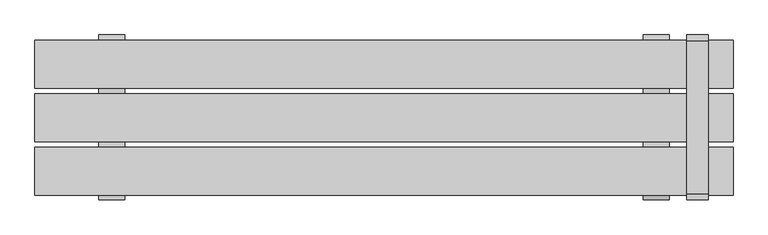
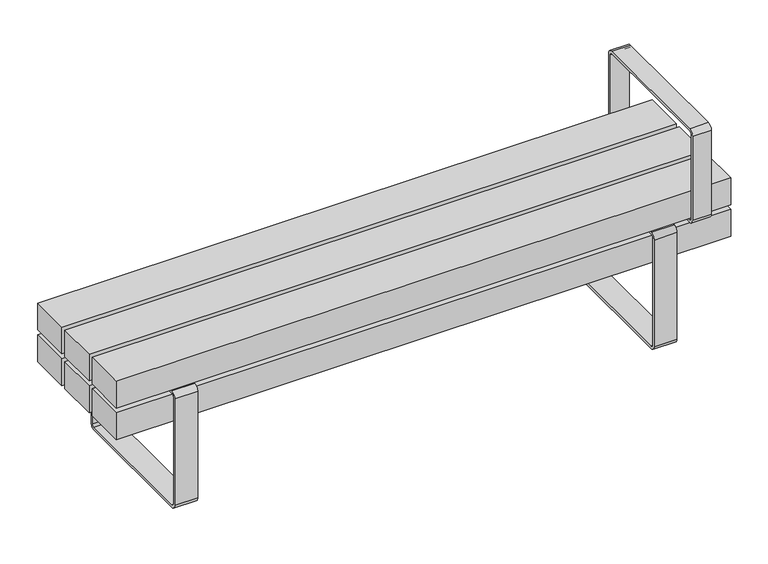
"""IFC4 building model written with IfcOpenShell, lengths in millimetres: furniture geometry."""

import ifcopenshell
import ifcopenshell.guid

model = None  # the IFC model being written
_history = None  # IfcOwnerHistory: only IFC2X3 demands one
_inside = {}  # id of a spatial element -> (the spatial element, [elements in it])
_under = {}  # id of a project, library or spatial element -> (it, [spatial elements below it])
_declared = {}  # id of a project -> (the project, [libraries it declares])
_typed = {}  # id of a type object -> (the type object, [elements of that type])
_made_of = {}  # id of a material, layer set ... -> (it, [elements and type objects made of it])


def new_model(schema):
    """Start an empty IFC model of exactly this schema.

    Asked for "IFC4X3", IfcOpenShell would pick the latest addendum, in which some entities
    have other attributes; the version numbers below select the first issue.
    IFC2X3 requires an IfcOwnerHistory on every rooted entity: one is made here for all.
    """
    global model, _history
    if schema == "IFC4X3":
        model = ifcopenshell.file(schema_version=(4, 3, 0, 0))
    else:
        model = ifcopenshell.file(schema=schema)
    _inside.clear()
    _under.clear()
    _declared.clear()
    _typed.clear()
    _made_of.clear()
    _history = None
    if model.schema == "IFC2X3":
        org = make("IfcOrganization", Name="unknown")
        user = make(
            "IfcPersonAndOrganization",
            ThePerson=make("IfcPerson", FamilyName="unknown"),
            TheOrganization=org,
        )
        app = make(
            "IfcApplication",
            ApplicationDeveloper=org,
            Version="unknown",
            ApplicationFullName="unknown",
            ApplicationIdentifier="unknown",
        )
        _history = make(
            "IfcOwnerHistory",
            OwningUser=user,
            OwningApplication=app,
            ChangeAction="ADDED",
            CreationDate=0,
        )
    return model


def make(cls, **values):
    """One entity of the class cls with the attributes given. An attribute that is None is left unset."""
    return model.create_entity(
        cls, **{name: value for name, value in values.items() if value is not None}
    )


def rooted(cls, **values):
    """An entity with a GlobalId (a new one), such as an element, a storey or a relation."""
    return make(cls, GlobalId=ifcopenshell.guid.new(), OwnerHistory=_history, **values)


def si_unit(unit_type, name, prefix=None):
    """IfcSIUnit, for example si_unit("LENGTHUNIT", "METRE", prefix="MILLI")."""
    return make("IfcSIUnit", UnitType=unit_type, Prefix=prefix, Name=name)


def assignment(units):
    """IfcUnitAssignment: the units of a project."""
    return None if units is None else make("IfcUnitAssignment", Units=units)


def point(xyz):
    """IfcCartesianPoint."""
    return None if xyz is None else make("IfcCartesianPoint", Coordinates=xyz)


def direction(xyz):
    """IfcDirection."""
    return None if xyz is None else make("IfcDirection", DirectionRatios=xyz)


def frame(location, z_axis=None, x_axis=None):
    """IfcAxis2Placement3D, a coordinate frame: its origin and axes. An axis left out is left unset."""
    return make(
        "IfcAxis2Placement3D",
        Location=point(location),
        Axis=direction(z_axis),
        RefDirection=direction(x_axis),
    )


def frame_2d(location, x_axis=None):
    """IfcAxis2Placement2D, a coordinate frame in the plane: its origin and x axis."""
    return make(
        "IfcAxis2Placement2D", Location=point(location), RefDirection=direction(x_axis)
    )


def origin():
    """The frame at (0, 0, 0) with its axes left unset."""
    return frame((0.0, 0.0, 0.0))


def place(relative_to, where):
    """IfcLocalPlacement: puts the frame where relative to a parent placement (None: the world)."""
    return make(
        "IfcLocalPlacement", PlacementRelTo=relative_to, RelativePlacement=where
    )


def context(
    kind, dimensions, precision=None, world=None, true_north=None, identifier=None
):
    """IfcGeometricRepresentationContext, for example the 3D "Model" context."""
    return make(
        "IfcGeometricRepresentationContext",
        ContextIdentifier=identifier,
        ContextType=kind,
        CoordinateSpaceDimension=dimensions,
        Precision=precision,
        WorldCoordinateSystem=world,
        TrueNorth=true_north,
    )


def project(units=None, contexts=None):
    """IfcProject with its units and contexts."""
    return rooted(
        "IfcProject",
        Name="project",
        RepresentationContexts=contexts,
        UnitsInContext=assignment(units),
    )


def spatial(cls, under=None, at=None, **own):
    """A site, building, storey or space (cls), placed at a placement, below another one or the project."""
    s = rooted(cls, ObjectPlacement=at, **own)
    if under is not None:
        _under.setdefault(under.id(), (under, []))[1].append(s)
    return s


def polyline(points):
    """IfcPolyline through the points."""
    return make("IfcPolyline", Points=[point(p) for p in points])


def circle_curve(where, radius):
    """IfcCircle in the frame where."""
    return make("IfcCircle", Position=where, Radius=radius)


def trimmed(basis, trim1, trim2, sense, master):
    """IfcTrimmedCurve: the piece of a basis curve between two trims."""
    return make(
        "IfcTrimmedCurve",
        BasisCurve=basis,
        Trim1=trim1,
        Trim2=trim2,
        SenseAgreement=sense,
        MasterRepresentation=master,
    )


def segment(curve, same_sense, transition):
    """IfcCompositeCurveSegment."""
    return make(
        "IfcCompositeCurveSegment",
        Transition=transition,
        SameSense=same_sense,
        ParentCurve=curve,
    )


def composite_curve(segments, self_intersect=None):
    """IfcCompositeCurve: segments joined end to end."""
    return make("IfcCompositeCurve", Segments=segments, SelfIntersect=self_intersect)


def outline(outer, holes=None, kind="AREA"):
    """IfcArbitraryClosedProfileDef: a profile drawn as a closed curve; with holes, ...WithVoids."""
    if holes is None:
        return make("IfcArbitraryClosedProfileDef", ProfileType=kind, OuterCurve=outer)
    return make(
        "IfcArbitraryProfileDefWithVoids",
        ProfileType=kind,
        OuterCurve=outer,
        InnerCurves=holes,
    )


def extrude(swept, where, along, depth):
    """IfcExtrudedAreaSolid: the profile swept, set in the frame where, extruded along a direction by depth."""
    return make(
        "IfcExtrudedAreaSolid",
        SweptArea=swept,
        Position=where,
        ExtrudedDirection=direction(along),
        Depth=depth,
    )


def shape(context_of_items, identifier, shape_type, items):
    """IfcShapeRepresentation: the items that make up one representation, for example the "Body"."""
    return make(
        "IfcShapeRepresentation",
        ContextOfItems=context_of_items,
        RepresentationIdentifier=identifier,
        RepresentationType=shape_type,
        Items=items,
    )


def source(mapping_origin, context_of_items, identifier, shape_type, items):
    """IfcRepresentationMap: a shape defined once, which mapped items show again and again."""
    return make(
        "IfcRepresentationMap",
        MappingOrigin=mapping_origin,
        MappedRepresentation=shape(context_of_items, identifier, shape_type, items),
    )


def transform(
    local_origin,
    x_axis=None,
    y_axis=None,
    z_axis=None,
    scale=None,
    scale2=None,
    scale3=None,
    uniform=True,
):
    """IfcCartesianTransformationOperator3D, or its non-uniform kind. x_axis, y_axis, z_axis: its Axis1, 2, 3."""
    if uniform:
        return make(
            "IfcCartesianTransformationOperator3D",
            Axis1=direction(x_axis),
            Axis2=direction(y_axis),
            LocalOrigin=point(local_origin),
            Scale=scale,
            Axis3=direction(z_axis),
        )
    return make(
        "IfcCartesianTransformationOperator3DnonUniform",
        Axis1=direction(x_axis),
        Axis2=direction(y_axis),
        LocalOrigin=point(local_origin),
        Scale=scale,
        Axis3=direction(z_axis),
        Scale2=scale2,
        Scale3=scale3,
    )


def mapped(mapping_source, mapping_target):
    """IfcMappedItem: shows the shape of a source again, moved by a transform."""
    return make(
        "IfcMappedItem", MappingSource=mapping_source, MappingTarget=mapping_target
    )


def made_of(thing, what):
    """Note that an element or type object is made of a material, layer set ...; save() writes the relation."""
    if what is not None:
        _made_of.setdefault(what.id(), (what, []))[1].append(thing)
    return thing


def element(
    cls,
    number,
    at=None,
    inside=None,
    cuts=None,
    type_object=None,
    material=None,
    context=None,
    identifier="Body",
    shape_type=None,
    held_by="IfcProductDefinitionShape",
    body=None,
    shapes=None,
    **own,
):
    """One element of the class cls, such as IfcWall. Its Tag is "e" and its number.

    at: its placement. inside: the storey or other place that contains it. cuts: it is an
    opening in that element (IfcRelVoidsElement). A single representation is given by context,
    identifier, shape_type and body (its items); several are given by shapes. held_by: the class
    of the entity that holds the representations. save() writes the other relations.
    """
    e = rooted(cls, Tag="e%d" % number, ObjectPlacement=at, **own)
    if body is not None:
        shapes = [shape(context, identifier, shape_type, body)]
    if shapes is not None:
        e.Representation = make(held_by, Representations=shapes)
    if inside is not None:
        _inside.setdefault(inside.id(), (inside, []))[1].append(e)
    if cuts is not None:
        rooted(
            "IfcRelVoidsElement", RelatingBuildingElement=cuts, RelatedOpeningElement=e
        )
    if type_object is not None:
        _typed.setdefault(type_object.id(), (type_object, []))[1].append(e)
    return made_of(e, material)


def aggregate(whole, parts):
    """IfcRelAggregates: a whole, such as a stair, and the parts it consists of."""
    return rooted("IfcRelAggregates", RelatingObject=whole, RelatedObjects=parts)


def save(model, path):
    """Write the relations noted so far, then the file.

    IfcRelAggregates (storeys below a building ...), IfcRelContainedInSpatialStructure (elements
    in a storey), IfcRelDefinesByType, IfcRelAssociatesMaterial and IfcRelDeclares: one each for
    every whole, place, type object, material and project.
    """
    for whole, parts in _under.values():
        aggregate(whole, parts)
    for where, things in _inside.values():
        rooted(
            "IfcRelContainedInSpatialStructure",
            RelatedElements=things,
            RelatingStructure=where,
        )
    for kind, things in _typed.values():
        rooted("IfcRelDefinesByType", RelatedObjects=things, RelatingType=kind)
    for what, things in _made_of.values():
        rooted("IfcRelAssociatesMaterial", RelatedObjects=things, RelatingMaterial=what)
    for by, libraries in _declared.values():
        rooted("IfcRelDeclares", RelatingContext=by, RelatedDefinitions=libraries)
    model.write(path)


def furniture_fdcf73a2(model_context):
    return source(origin(), model_context, "Body", "SweptSolid", [
        extrude(outline(composite_curve([segment(polyline([(198.4124417, 0.0), (-196.5875583, 0.0)]), True, "CONTINUOUS"), segment(trimmed(circle_curve(frame_2d((-196.5875583, 15.0)), 15.0), [point((-196.5875583, 0.0))], [point((-211.5875583, 15.0))], False, "CARTESIAN"), True, "CONTINUOUS"), segment(polyline([(-211.5875583, 15.0), (-211.5875583, 345.3217453)]), True, "CONTINUOUS"), segment(trimmed(circle_curve(frame_2d((-196.5875583, 345.3217453)), 15.0), [point((-211.5875583, 345.3217453))], [point((-196.5875583, 360.3217453))], False, "CARTESIAN"), True, "CONTINUOUS"), segment(polyline([(-196.5875583, 360.3217453), (198.4124417, 360.3217453)]), True, "CONTINUOUS"), segment(trimmed(circle_curve(frame_2d((198.4124417, 345.3217453)), 15.0), [point((198.4124417, 360.3217453))], [point((213.4124417, 345.3217453))], False, "CARTESIAN"), True, "CONTINUOUS"), segment(polyline([(213.4124417, 345.3217453), (213.4124417, 15.0)]), True, "CONTINUOUS"), segment(trimmed(circle_curve(frame_2d((198.4124417, 15.0)), 15.0), [point((213.4124417, 15.0))], [point((198.4124417, 0.0))], False, "CARTESIAN"), True, "CONTINUOUS")], self_intersect=False), holes=[composite_curve([segment(trimmed(circle_curve(frame_2d((-196.5875583, 15.0)), 6.5), [point((-203.0875583, 15.0))], [point((-196.5875583, 8.5))], True, "CARTESIAN"), True, "CONTINUOUS"), segment(polyline([(-196.5875583, 8.5), (198.4124417, 8.5)]), True, "CONTINUOUS"), segment(trimmed(circle_curve(frame_2d((198.4124417, 15.0)), 6.5), [point((198.4124417, 8.5))], [point((204.9124417, 15.0))], True, "CARTESIAN"), True, "CONTINUOUS"), segment(polyline([(204.9124417, 15.0), (204.9124417, 345.3217453)]), True, "CONTINUOUS"), segment(trimmed(circle_curve(frame_2d((198.4124417, 345.3217453)), 6.5), [point((204.9124417, 345.3217453))], [point((198.4124417, 351.8217453))], True, "CARTESIAN"), True, "CONTINUOUS"), segment(polyline([(198.4124417, 351.8217453), (-196.5875583, 351.8217453)]), True, "CONTINUOUS"), segment(trimmed(circle_curve(frame_2d((-196.5875583, 345.3217453)), 6.5), [point((-196.5875583, 351.8217453))], [point((-203.0875583, 345.3217453))], True, "CARTESIAN"), True, "CONTINUOUS"), segment(polyline([(-203.0875583, 345.3217453), (-203.0875583, 15.0)]), True, "CONTINUOUS")], self_intersect=False)]), frame((668.5975006, 0.0, 0.0), z_axis=(1.0, 0.0, 0.0), x_axis=(0.0, 1.0, 0.0)), (0.0, 0.0, 1.0), 67.040596),
        extrude(outline(composite_curve([segment(polyline([(198.4124417, 0.0), (-196.5875583, 0.0)]), True, "CONTINUOUS"), segment(trimmed(circle_curve(frame_2d((-196.5875583, 15.0)), 15.0), [point((-196.5875583, 0.0))], [point((-211.5875583, 15.0))], False, "CARTESIAN"), True, "CONTINUOUS"), segment(polyline([(-211.5875583, 15.0), (-211.5875583, 345.3217453)]), True, "CONTINUOUS"), segment(trimmed(circle_curve(frame_2d((-196.5875583, 345.3217453)), 15.0), [point((-211.5875583, 345.3217453))], [point((-196.5875583, 360.3217453))], False, "CARTESIAN"), True, "CONTINUOUS"), segment(polyline([(-196.5875583, 360.3217453), (198.4124417, 360.3217453)]), True, "CONTINUOUS"), segment(trimmed(circle_curve(frame_2d((198.4124417, 345.3217453)), 15.0), [point((198.4124417, 360.3217453))], [point((213.4124417, 345.3217453))], False, "CARTESIAN"), True, "CONTINUOUS"), segment(polyline([(213.4124417, 345.3217453), (213.4124417, 15.0)]), True, "CONTINUOUS"), segment(trimmed(circle_curve(frame_2d((198.4124417, 15.0)), 15.0), [point((213.4124417, 15.0))], [point((198.4124417, 0.0))], False, "CARTESIAN"), True, "CONTINUOUS")], self_intersect=False), holes=[composite_curve([segment(trimmed(circle_curve(frame_2d((-196.5875583, 15.0)), 6.5), [point((-203.0875583, 15.0))], [point((-196.5875583, 8.5))], True, "CARTESIAN"), True, "CONTINUOUS"), segment(polyline([(-196.5875583, 8.5), (198.4124417, 8.5)]), True, "CONTINUOUS"), segment(trimmed(circle_curve(frame_2d((198.4124417, 15.0)), 6.5), [point((198.4124417, 8.5))], [point((204.9124417, 15.0))], True, "CARTESIAN"), True, "CONTINUOUS"), segment(polyline([(204.9124417, 15.0), (204.9124417, 345.3217453)]), True, "CONTINUOUS"), segment(trimmed(circle_curve(frame_2d((198.4124417, 345.3217453)), 6.5), [point((204.9124417, 345.3217453))], [point((198.4124417, 351.8217453))], True, "CARTESIAN"), True, "CONTINUOUS"), segment(polyline([(198.4124417, 351.8217453), (-196.5875583, 351.8217453)]), True, "CONTINUOUS"), segment(trimmed(circle_curve(frame_2d((-196.5875583, 345.3217453)), 6.5), [point((-196.5875583, 351.8217453))], [point((-203.0875583, 345.3217453))], True, "CARTESIAN"), True, "CONTINUOUS"), segment(polyline([(-203.0875583, 345.3217453), (-203.0875583, 15.0)]), True, "CONTINUOUS")], self_intersect=False)]), frame((-735.6380966, 0.0, 0.0), z_axis=(1.0, 0.0, 0.0), x_axis=(0.0, 1.0, 0.0)), (0.0, 0.0, 1.0), 67.040596),
        extrude(outline(polyline([(351.8217453, 900.0000373), (351.8217453, -900.0), (268.7167987, -900.0), (268.7167987, 900.0000373), (351.8217453, 900.0000373)]), holes=[polyline([(339.8217453, -888.0), (339.8217453, 888.0), (280.7167987, 888.0), (280.7167987, -888.0), (339.8217453, -888.0)])]), frame((0.0, -61.5000218, 0.0), z_axis=(0.0, 1.0, 0.0), x_axis=(0.0, 0.0, 1.0)), (0.0, 0.0, 1.0), 123.0000435),
        extrude(outline(composite_curve([segment(polyline([(198.4124417, 351.8217453), (-196.5875583, 351.8217453)]), True, "CONTINUOUS"), segment(trimmed(circle_curve(frame_2d((-196.5875583, 366.8217453)), 15.0), [point((-196.5875583, 351.8217453))], [point((-211.5875583, 366.8217453))], False, "CARTESIAN"), True, "CONTINUOUS"), segment(polyline([(-211.5875583, 366.8217453), (-211.5875583, 626.8217453)]), True, "CONTINUOUS"), segment(trimmed(circle_curve(frame_2d((-196.5875583, 626.8217453)), 15.0), [point((-211.5875583, 626.8217453))], [point((-196.5875583, 641.8217453))], False, "CARTESIAN"), True, "CONTINUOUS"), segment(polyline([(-196.5875583, 641.8217453), (198.4124417, 641.8217453)]), True, "CONTINUOUS"), segment(trimmed(circle_curve(frame_2d((198.4124417, 626.8217453)), 15.0), [point((198.4124417, 641.8217453))], [point((213.4124417, 626.8217453))], False, "CARTESIAN"), True, "CONTINUOUS"), segment(polyline([(213.4124417, 626.8217453), (213.4124417, 366.8217453)]), True, "CONTINUOUS"), segment(trimmed(circle_curve(frame_2d((198.4124417, 366.8217453)), 15.0), [point((213.4124417, 366.8217453))], [point((198.4124417, 351.8217453))], False, "CARTESIAN"), True, "CONTINUOUS")], self_intersect=False), holes=[composite_curve([segment(trimmed(circle_curve(frame_2d((-196.5875583, 366.8217453)), 6.5), [point((-203.0875583, 366.8217453))], [point((-196.5875583, 360.3217453))], True, "CARTESIAN"), True, "CONTINUOUS"), segment(polyline([(-196.5875583, 360.3217453), (198.4124417, 360.3217453)]), True, "CONTINUOUS"), segment(trimmed(circle_curve(frame_2d((198.4124417, 366.8217453)), 6.5), [point((198.4124417, 360.3217453))], [point((204.9124417, 366.8217453))], True, "CARTESIAN"), True, "CONTINUOUS"), segment(polyline([(204.9124417, 366.8217453), (204.9124417, 626.8217453)]), True, "CONTINUOUS"), segment(trimmed(circle_curve(frame_2d((198.4124417, 626.8217453)), 6.5), [point((204.9124417, 626.8217453))], [point((198.4124417, 633.3217453))], True, "CARTESIAN"), True, "CONTINUOUS"), segment(polyline([(198.4124417, 633.3217453), (-196.5875583, 633.3217453)]), True, "CONTINUOUS"), segment(trimmed(circle_curve(frame_2d((-196.5875583, 626.8217453)), 6.5), [point((-196.5875583, 633.3217453))], [point((-203.0875583, 626.8217453))], True, "CARTESIAN"), True, "CONTINUOUS"), segment(polyline([(-203.0875583, 626.8217453), (-203.0875583, 366.8217453)]), True, "CONTINUOUS")], self_intersect=False)]), frame((781.1291871, 0.0, 0.0), z_axis=(1.0, 0.0, 0.0), x_axis=(0.0, 1.0, 0.0)), (0.0, 0.0, 1.0), 55.0),
        extrude(outline(polyline([(900.0, -76.5174894), (900.0, -199.5174894), (-900.0, -199.5174894), (-900.0, -76.5174894), (900.0, -76.5174894)])), frame((0.0, 0.0, 366.8258682), z_axis=(0.0, 0.0, 1.0), x_axis=(1.0, 0.0, 0.0)), (0.0, 0.0, 1.0), 83.1049466),
        extrude(outline(polyline([(900.0, 61.4888479), (900.0, -61.5111521), (-900.0, -61.5111521), (-900.0, 61.4888479), (900.0, 61.4888479)])), frame((0.0, 0.0, 366.8258682), z_axis=(0.0, 0.0, 1.0), x_axis=(1.0, 0.0, 0.0)), (0.0, 0.0, 1.0), 83.1049466),
        extrude(outline(polyline([(900.0, 199.4999782), (900.0, 76.4999782), (-900.0, 76.4999782), (-900.0, 199.4999782), (900.0, 199.4999782)])), frame((0.0, 0.0, 366.8258682), z_axis=(0.0, 0.0, 1.0), x_axis=(1.0, 0.0, 0.0)), (0.0, 0.0, 1.0), 83.1049466),
        extrude(outline(polyline([(900.0, -76.5174894), (900.0, -199.5174894), (-900.0, -199.5174894), (-900.0, -76.5174894), (900.0, -76.5174894)])), frame((0.0, 0.0, 268.7167987), z_axis=(0.0, 0.0, 1.0), x_axis=(1.0, 0.0, 0.0)), (0.0, 0.0, 1.0), 83.1049466),
        extrude(outline(polyline([(900.0, 199.4999782), (900.0, 76.4999782), (-900.0, 76.4999782), (-900.0, 199.4999782), (900.0, 199.4999782)])), frame((0.0, 0.0, 268.7167987), z_axis=(0.0, 0.0, 1.0), x_axis=(1.0, 0.0, 0.0)), (0.0, 0.0, 1.0), 83.1049466),
        extrude(outline(polyline([(735.4649994, -171.2111197), (668.4244034, -171.2111197), (668.4244034, 168.7288553), (735.4649994, 168.7288553), (735.4649994, -171.2111197)])), frame((0.0, 0.0, 351.8217453), z_axis=(0.0, 0.0, 1.0), x_axis=(1.0, 0.0, 0.0)), (0.0, 0.0, 1.0), 15.004123),
        extrude(outline(polyline([(-668.5975006, -171.2111197), (-735.6380966, -171.2111197), (-735.6380966, 168.7288553), (-668.5975006, 168.7288553), (-668.5975006, -171.2111197)])), frame((0.0, 0.0, 351.8217453), z_axis=(0.0, 0.0, 1.0), x_axis=(1.0, 0.0, 0.0)), (0.0, 0.0, 1.0), 15.004123),
    ])


if __name__ == "__main__":
    model = new_model("IFC4")
    model_context = context("Model", 3, world=origin())
    ifc_project = project(units=[si_unit("LENGTHUNIT", "METRE", prefix="MILLI")], contexts=[model_context])
    site = spatial("IfcSite", under=ifc_project)
    building = spatial("IfcBuilding", under=site)
    placement = place(None, origin())
    furniture_shape = furniture_fdcf73a2(model_context)
    element("IfcFurniture", 1, at=placement, inside=building, context=model_context, shape_type="MappedRepresentation", body=[
        mapped(furniture_shape, transform((0.0, 0.0, 0.0), x_axis=(1.0, 0.0, 0.0), y_axis=(0.0, 1.0, 0.0), z_axis=(0.0, 0.0, 1.0))),
    ])
    save(model, "model.ifc")
